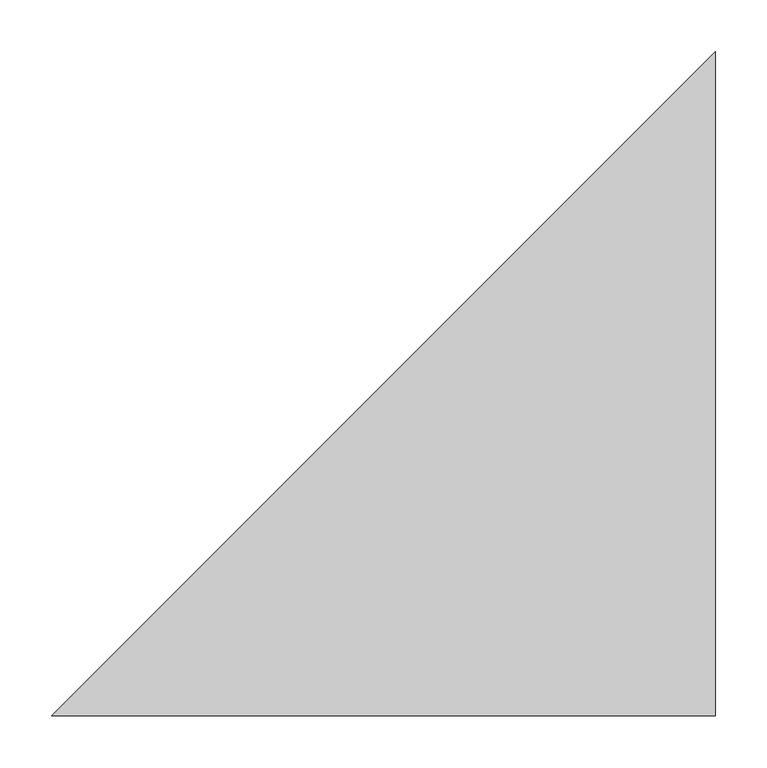
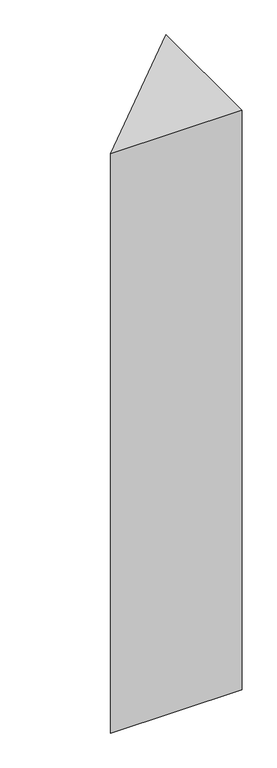
"""IFC4 building model written with IfcOpenShell, lengths in millimetres: column geometry."""

from ifc_helpers import new_model, si_unit, origin, place, context, project, spatial, faceted_brep, source, transform, mapped, element, save


def column_204a95dd(model_context):
    return source(origin(), model_context, "Body", "Brep", [
        faceted_brep([(-3460.2597962, -12831.6353377, 3300.0), (-3460.2597962, -12186.904457, 3300.0), (-4104.9906768, -12831.6353377, 3300.0), (-3460.2597962, -12186.904457, 300.0), (-3460.2597962, -12831.6353377, 300.0), (-4104.9906768, -12831.6353377, 300.0), (-4104.5906768, -12831.2353377, 300.0), (-4104.9906768, -12831.6353377, 2500.0)], [[[0, 1, 2]], [[3, 4, 5, 6]], [[3, 1, 0, 4]], [[1, 3, 6, 5, 7, 2]], [[0, 2, 7, 5, 4]]]),
    ])


if __name__ == "__main__":
    model = new_model("IFC4")
    model_context = context("Model", 3, world=origin())
    ifc_project = project(units=[si_unit("LENGTHUNIT", "METRE", prefix="MILLI")], contexts=[model_context])
    site = spatial("IfcSite", under=ifc_project)
    building = spatial("IfcBuilding", under=site)
    placement = place(None, origin())
    column_shape = column_204a95dd(model_context)
    element("IfcColumn", 1, at=placement, inside=building, context=model_context, shape_type="MappedRepresentation", body=[
        mapped(column_shape, transform((0.0, 0.0, 0.0), x_axis=(1.0, 0.0, 0.0), y_axis=(0.0, 1.0, 0.0), z_axis=(0.0, 0.0, 1.0))),
    ])
    save(model, "model.ifc")
